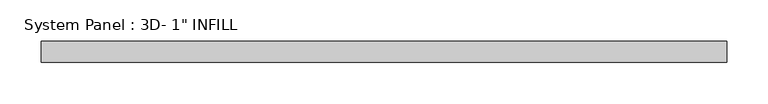
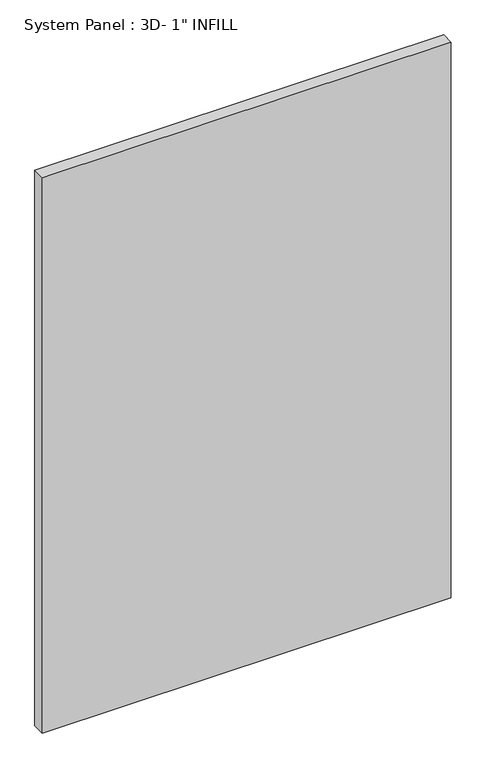
"""IFC4 building model written with IfcOpenShell, lengths in millimetres: plate geometry."""

from ifc_helpers import new_model, si_unit, origin, origin_with_axes, place, context, project, spatial, polyline, outline, extrude, source, transform, mapped, element, save


def plate_ddb8ab90(model_context):
    return source(origin(), model_context, "Body", "SweptSolid", [
        extrude(outline(polyline([(414.2252689, -5.4570312), (-414.2252689, -5.4570312), (-414.2252689, 19.9429688), (414.2252689, 19.9429688), (414.2252689, -5.4570312)])), origin_with_axes(), (0.0, 0.0, 1.0), 1188.7177347),
    ])


if __name__ == "__main__":
    model = new_model("IFC4")
    model_context = context("Model", 3, world=origin())
    ifc_project = project(units=[si_unit("LENGTHUNIT", "METRE", prefix="MILLI")], contexts=[model_context])
    site = spatial("IfcSite", under=ifc_project)
    building = spatial("IfcBuilding", under=site)
    placement = place(None, origin())
    plate_shape = plate_ddb8ab90(model_context)
    element("IfcPlate", 1, ObjectType="System Panel : 3D- 1\" INFILL", at=placement, inside=building, context=model_context, shape_type="MappedRepresentation", body=[
        mapped(plate_shape, transform((0.0, 0.0, 0.0), x_axis=(1.0, 0.0, 0.0), y_axis=(0.0, 1.0, 0.0), z_axis=(0.0, 0.0, 1.0))),
    ])
    save(model, "model.ifc")
